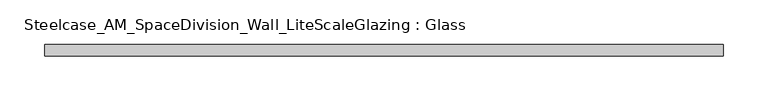
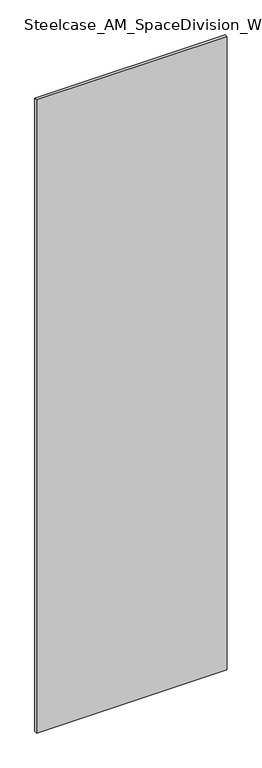
"""IFC4 building model written with IfcOpenShell, lengths in millimetres: plate geometry, Steelcase_AM_SpaceDivision_Wall_LiteScaleGlazing : Glass."""

from ifc_helpers import new_model, si_unit, origin, origin_with_axes, place, context, project, spatial, polyline, outline, extrude, source, transform, mapped, element, save


def steelcase_am_spacedivision_wall_litescaleglazing_glass_93dcef97(model_context):
    return source(origin(), model_context, "Body", "SweptSolid", [
        extrude(outline(polyline([(-379.8312732, -6.349956), (-379.8312732, 6.3502015), (379.8312732, 6.3502015), (379.8312732, -6.349956), (-379.8312732, -6.349956)])), origin_with_axes(), (0.0, 0.0, 1.0), 2665.984),
    ])


if __name__ == "__main__":
    model = new_model("IFC4")
    model_context = context("Model", 3, world=origin())
    ifc_project = project(units=[si_unit("LENGTHUNIT", "METRE", prefix="MILLI")], contexts=[model_context])
    site = spatial("IfcSite", under=ifc_project)
    building = spatial("IfcBuilding", under=site)
    placement = place(None, origin())
    steelcase_am_spacedivision_wall_litescaleglazing_glass_shape = steelcase_am_spacedivision_wall_litescaleglazing_glass_93dcef97(model_context)
    element("IfcPlate", 1, ObjectType="Steelcase_AM_SpaceDivision_Wall_LiteScaleGlazing : Glass", at=placement, inside=building, context=model_context, shape_type="MappedRepresentation", body=[
        mapped(steelcase_am_spacedivision_wall_litescaleglazing_glass_shape, transform((0.0, 0.0, 0.0), x_axis=(1.0, 0.0, 0.0), y_axis=(0.0, 1.0, 0.0), z_axis=(0.0, 0.0, 1.0))),
    ])
    save(model, "model.ifc")
